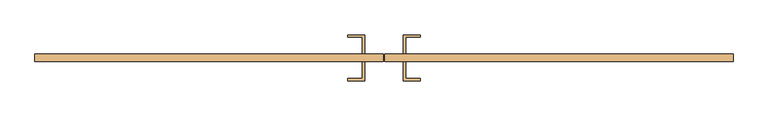
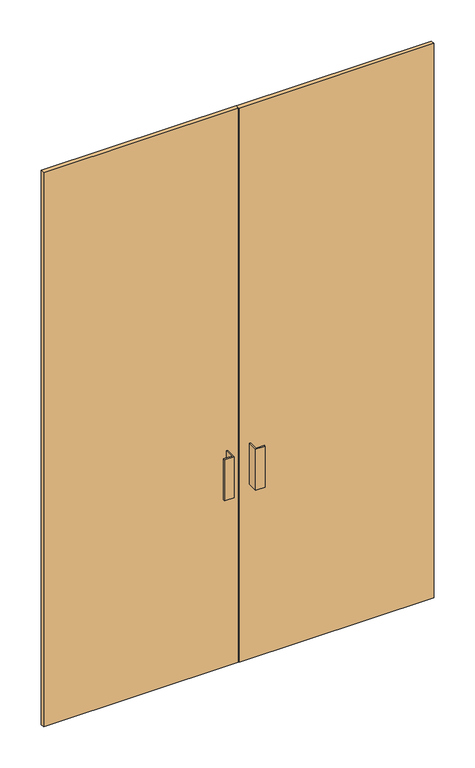
"""IFC4 building model written with IfcOpenShell, lengths in millimetres: door geometry."""

from ifc_helpers import new_model, si_unit, frame, origin, origin_with_axes, place, context, project, spatial, polyline, outline, extrude, source, transform, mapped, element, save


def door_a1bcae9f(model_context):
    return source(origin(), model_context, "Body", "SweptSolid", [
        extrude(outline(polyline([(-1.6143999, 25.4), (-914.4, 25.4), (-914.4, 44.45), (-1.6143999, 44.45), (-1.6143999, 25.4)])), origin_with_axes(), (0.0, 0.0, 1.0), 2743.2),
        extrude(outline(polyline([(914.4, 25.4), (1.5606001, 25.4), (1.5606001, 44.45), (914.4, 44.45), (914.4, 25.4)])), origin_with_axes(), (0.0, 0.0, 1.0), 2743.2),
        extrude(outline(polyline([(-50.8268999, 95.25), (-50.8268999, 44.45), (-57.1768999, 44.45), (-57.1768999, 88.9), (-95.2768999, 88.9), (-95.2768999, 95.25), (-50.8268999, 95.25)])), frame((0.0, 0.0, 863.6), z_axis=(0.0, 0.0, 1.0), x_axis=(1.0, 0.0, 0.0)), (0.0, 0.0, 1.0), 203.2),
        extrude(outline(polyline([(50.7731001, 95.25), (95.2231001, 95.25), (95.2231001, 88.9), (57.1231001, 88.9), (57.1231001, 44.45), (50.7731001, 44.45), (50.7731001, 95.25)])), frame((0.0, 0.0, 863.6), z_axis=(0.0, 0.0, 1.0), x_axis=(1.0, 0.0, 0.0)), (0.0, 0.0, 1.0), 203.2),
        extrude(outline(polyline([(-50.8268999, -25.4), (-95.2768999, -25.4), (-95.2768999, -19.05), (-57.1768999, -19.05), (-57.1768999, 25.4), (-50.8268999, 25.4), (-50.8268999, -25.4)])), frame((0.0, 0.0, 863.6), z_axis=(0.0, 0.0, 1.0), x_axis=(1.0, 0.0, 0.0)), (0.0, 0.0, 1.0), 203.2),
        extrude(outline(polyline([(50.7731001, -25.4), (50.7731001, 25.4), (57.1231001, 25.4), (57.1231001, -19.05), (95.2231001, -19.05), (95.2231001, -25.4), (50.7731001, -25.4)])), frame((0.0, 0.0, 863.6), z_axis=(0.0, 0.0, 1.0), x_axis=(1.0, 0.0, 0.0)), (0.0, 0.0, 1.0), 203.2),
    ])


if __name__ == "__main__":
    model = new_model("IFC4")
    model_context = context("Model", 3, world=origin())
    ifc_project = project(units=[si_unit("LENGTHUNIT", "METRE", prefix="MILLI")], contexts=[model_context])
    site = spatial("IfcSite", under=ifc_project)
    building = spatial("IfcBuilding", under=site)
    placement = place(None, origin())
    door_shape = door_a1bcae9f(model_context)
    element("IfcDoor", 1, at=placement, inside=building, context=model_context, shape_type="MappedRepresentation", body=[
        mapped(door_shape, transform((0.0, 0.0, 0.0), x_axis=(1.0, 0.0, 0.0), y_axis=(0.0, 1.0, 0.0), z_axis=(0.0, 0.0, 1.0))),
    ])
    save(model, "model.ifc")
